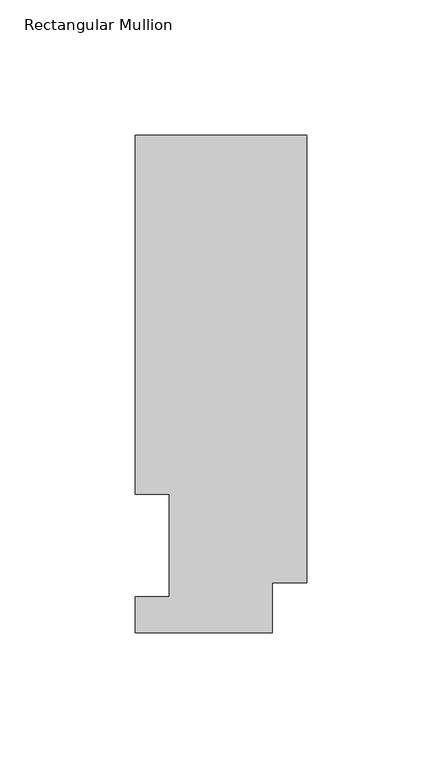
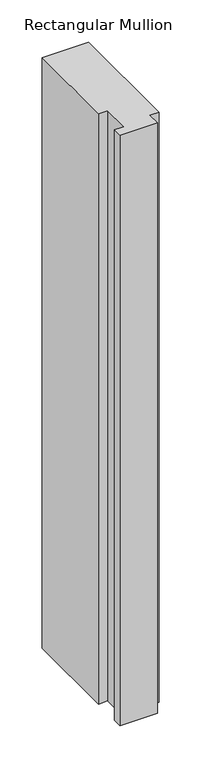
"""IFC4 building model written with IfcOpenShell, lengths in millimetres: member geometry, Rectangular Mullion."""

from ifc_helpers import new_model, si_unit, frame, origin, place, context, project, spatial, polyline, outline, extrude, source, transform, mapped, element, save


def rectangular_mullion_52dfe1ec(model_context):
    return source(origin(), model_context, "Body", "SweptSolid", [
        extrude(outline(polyline([(-63.5, 184.2396938), (0.0, 184.2396938), (0.0, 18.5222276), (-12.7, 18.5222276), (-12.7, 0.0134937), (-63.5, 0.0134937), (-63.5, 13.1960938), (-50.8, 13.1960938), (-50.8, 51.2960937), (-63.5, 51.2960937), (-63.5, 184.2396938)])), frame((0.0, 0.0, -850.9), z_axis=(0.0, 0.0, 1.0), x_axis=(1.0, 0.0, 0.0)), (0.0, 0.0, 1.0), 850.9),
    ])


if __name__ == "__main__":
    model = new_model("IFC4")
    model_context = context("Model", 3, world=origin())
    ifc_project = project(units=[si_unit("LENGTHUNIT", "METRE", prefix="MILLI")], contexts=[model_context])
    site = spatial("IfcSite", under=ifc_project)
    building = spatial("IfcBuilding", under=site)
    placement = place(None, origin())
    rectangular_mullion_shape = rectangular_mullion_52dfe1ec(model_context)
    element("IfcMember", 1, ObjectType="Rectangular Mullion", at=placement, inside=building, context=model_context, shape_type="MappedRepresentation", body=[
        mapped(rectangular_mullion_shape, transform((0.0, 0.0, 0.0), x_axis=(1.0, 0.0, 0.0), y_axis=(0.0, 1.0, 0.0), z_axis=(0.0, 0.0, 1.0))),
    ])
    save(model, "model.ifc")
